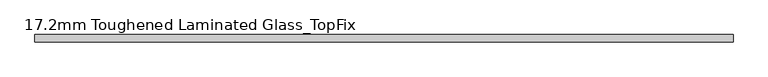
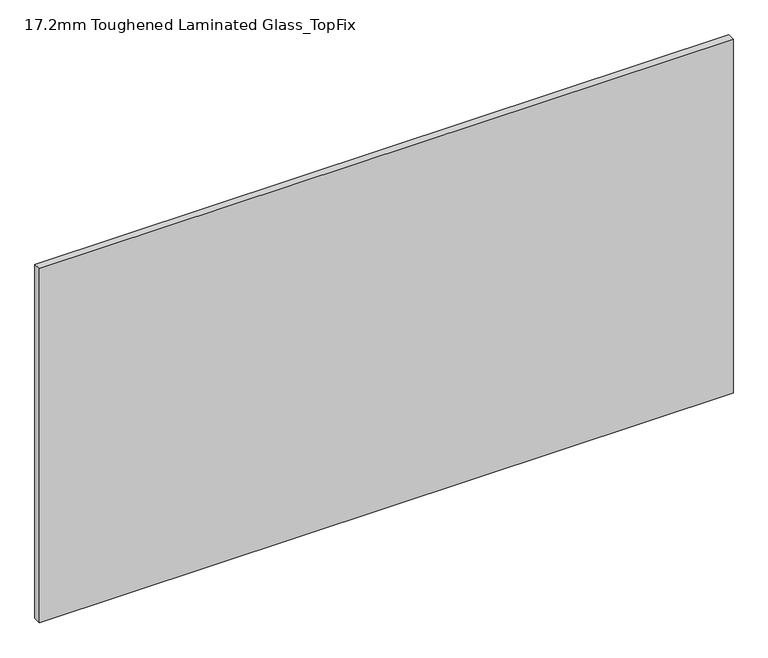
"""IFC4 building model written with IfcOpenShell, lengths in millimetres: plate geometry, 17.2mm Toughened Laminated Glass_TopFix."""

from ifc_helpers import new_model, si_unit, origin, origin_with_axes, place, context, project, spatial, polyline, outline, extrude, source, transform, mapped, element, save


def plate_17_2mm_toughened_laminated_glass_topfix_cba0590d(model_context):
    return source(origin(), model_context, "Body", "SweptSolid", [
        extrude(outline(polyline([(795.0000001, 8.6), (795.0000001, -8.6), (-795.0000001, -8.6), (-795.0000001, 8.6), (795.0000001, 8.6)])), origin_with_axes(), (0.0, 0.0, 1.0), 858.0),
    ])


if __name__ == "__main__":
    model = new_model("IFC4")
    model_context = context("Model", 3, world=origin())
    ifc_project = project(units=[si_unit("LENGTHUNIT", "METRE", prefix="MILLI")], contexts=[model_context])
    site = spatial("IfcSite", under=ifc_project)
    building = spatial("IfcBuilding", under=site)
    placement = place(None, origin())
    plate_17_2mm_toughened_laminated_glass_topfix_shape = plate_17_2mm_toughened_laminated_glass_topfix_cba0590d(model_context)
    element("IfcPlate", 1, ObjectType="17.2mm Toughened Laminated Glass_TopFix", at=placement, inside=building, context=model_context, shape_type="MappedRepresentation", body=[
        mapped(plate_17_2mm_toughened_laminated_glass_topfix_shape, transform((0.0, 0.0, 0.0), x_axis=(1.0, 0.0, 0.0), y_axis=(0.0, 1.0, 0.0), z_axis=(0.0, 0.0, 1.0))),
    ])
    save(model, "model.ifc")
